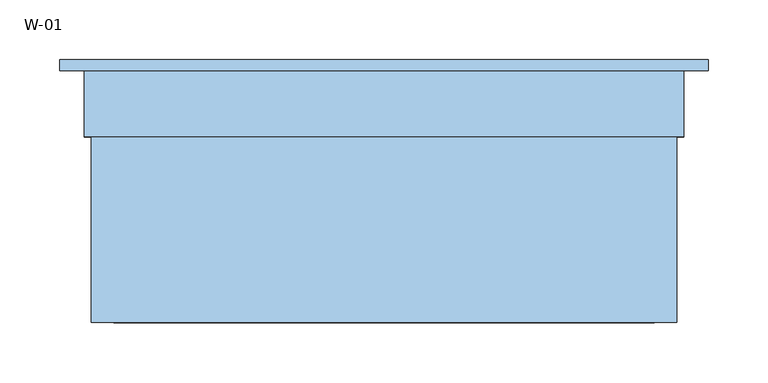
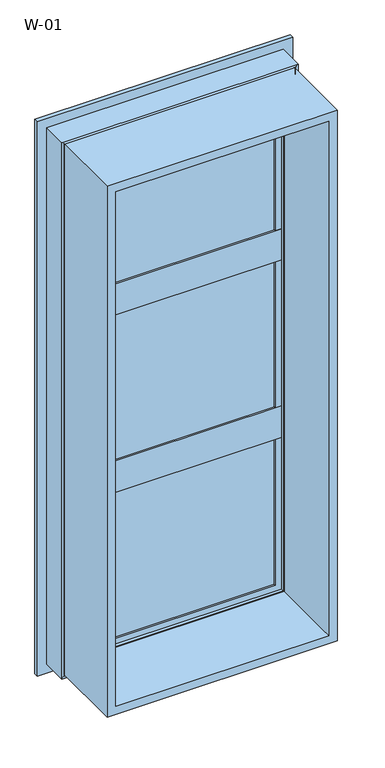
"""IFC4 building model written with IfcOpenShell, lengths in millimetres: window geometry, W-01."""

import ifcopenshell
import ifcopenshell.guid

model = None  # the IFC model being written
_history = None  # IfcOwnerHistory: only IFC2X3 demands one
_inside = {}  # id of a spatial element -> (the spatial element, [elements in it])
_under = {}  # id of a project, library or spatial element -> (it, [spatial elements below it])
_declared = {}  # id of a project -> (the project, [libraries it declares])
_typed = {}  # id of a type object -> (the type object, [elements of that type])
_made_of = {}  # id of a material, layer set ... -> (it, [elements and type objects made of it])


def new_model(schema):
    """Start an empty IFC model of exactly this schema.

    Asked for "IFC4X3", IfcOpenShell would pick the latest addendum, in which some entities
    have other attributes; the version numbers below select the first issue.
    IFC2X3 requires an IfcOwnerHistory on every rooted entity: one is made here for all.
    """
    global model, _history
    if schema == "IFC4X3":
        model = ifcopenshell.file(schema_version=(4, 3, 0, 0))
    else:
        model = ifcopenshell.file(schema=schema)
    _inside.clear()
    _under.clear()
    _declared.clear()
    _typed.clear()
    _made_of.clear()
    _history = None
    if model.schema == "IFC2X3":
        org = make("IfcOrganization", Name="unknown")
        user = make(
            "IfcPersonAndOrganization",
            ThePerson=make("IfcPerson", FamilyName="unknown"),
            TheOrganization=org,
        )
        app = make(
            "IfcApplication",
            ApplicationDeveloper=org,
            Version="unknown",
            ApplicationFullName="unknown",
            ApplicationIdentifier="unknown",
        )
        _history = make(
            "IfcOwnerHistory",
            OwningUser=user,
            OwningApplication=app,
            ChangeAction="ADDED",
            CreationDate=0,
        )
    return model


def make(cls, **values):
    """One entity of the class cls with the attributes given. An attribute that is None is left unset."""
    return model.create_entity(
        cls, **{name: value for name, value in values.items() if value is not None}
    )


def rooted(cls, **values):
    """An entity with a GlobalId (a new one), such as an element, a storey or a relation."""
    return make(cls, GlobalId=ifcopenshell.guid.new(), OwnerHistory=_history, **values)


def si_unit(unit_type, name, prefix=None):
    """IfcSIUnit, for example si_unit("LENGTHUNIT", "METRE", prefix="MILLI")."""
    return make("IfcSIUnit", UnitType=unit_type, Prefix=prefix, Name=name)


def assignment(units):
    """IfcUnitAssignment: the units of a project."""
    return None if units is None else make("IfcUnitAssignment", Units=units)


def point(xyz):
    """IfcCartesianPoint."""
    return None if xyz is None else make("IfcCartesianPoint", Coordinates=xyz)


def direction(xyz):
    """IfcDirection."""
    return None if xyz is None else make("IfcDirection", DirectionRatios=xyz)


def frame(location, z_axis=None, x_axis=None):
    """IfcAxis2Placement3D, a coordinate frame: its origin and axes. An axis left out is left unset."""
    return make(
        "IfcAxis2Placement3D",
        Location=point(location),
        Axis=direction(z_axis),
        RefDirection=direction(x_axis),
    )


def origin():
    """The frame at (0, 0, 0) with its axes left unset."""
    return frame((0.0, 0.0, 0.0))


def place(relative_to, where):
    """IfcLocalPlacement: puts the frame where relative to a parent placement (None: the world)."""
    return make(
        "IfcLocalPlacement", PlacementRelTo=relative_to, RelativePlacement=where
    )


def context(
    kind, dimensions, precision=None, world=None, true_north=None, identifier=None
):
    """IfcGeometricRepresentationContext, for example the 3D "Model" context."""
    return make(
        "IfcGeometricRepresentationContext",
        ContextIdentifier=identifier,
        ContextType=kind,
        CoordinateSpaceDimension=dimensions,
        Precision=precision,
        WorldCoordinateSystem=world,
        TrueNorth=true_north,
    )


def project(units=None, contexts=None):
    """IfcProject with its units and contexts."""
    return rooted(
        "IfcProject",
        Name="project",
        RepresentationContexts=contexts,
        UnitsInContext=assignment(units),
    )


def spatial(cls, under=None, at=None, **own):
    """A site, building, storey or space (cls), placed at a placement, below another one or the project."""
    s = rooted(cls, ObjectPlacement=at, **own)
    if under is not None:
        _under.setdefault(under.id(), (under, []))[1].append(s)
    return s


def polyline(points):
    """IfcPolyline through the points."""
    return make("IfcPolyline", Points=[point(p) for p in points])


def ellipse_curve(where, semi_axis1, semi_axis2):
    """IfcEllipse in the frame where."""
    return make(
        "IfcEllipse", Position=where, SemiAxis1=semi_axis1, SemiAxis2=semi_axis2
    )


def outline(outer, holes=None, kind="AREA"):
    """IfcArbitraryClosedProfileDef: a profile drawn as a closed curve; with holes, ...WithVoids."""
    if holes is None:
        return make("IfcArbitraryClosedProfileDef", ProfileType=kind, OuterCurve=outer)
    return make(
        "IfcArbitraryProfileDefWithVoids",
        ProfileType=kind,
        OuterCurve=outer,
        InnerCurves=holes,
    )


def extrude(swept, where, along, depth):
    """IfcExtrudedAreaSolid: the profile swept, set in the frame where, extruded along a direction by depth."""
    return make(
        "IfcExtrudedAreaSolid",
        SweptArea=swept,
        Position=where,
        ExtrudedDirection=direction(along),
        Depth=depth,
    )


def shape(context_of_items, identifier, shape_type, items):
    """IfcShapeRepresentation: the items that make up one representation, for example the "Body"."""
    return make(
        "IfcShapeRepresentation",
        ContextOfItems=context_of_items,
        RepresentationIdentifier=identifier,
        RepresentationType=shape_type,
        Items=items,
    )


def source(mapping_origin, context_of_items, identifier, shape_type, items):
    """IfcRepresentationMap: a shape defined once, which mapped items show again and again."""
    return make(
        "IfcRepresentationMap",
        MappingOrigin=mapping_origin,
        MappedRepresentation=shape(context_of_items, identifier, shape_type, items),
    )


def transform(
    local_origin,
    x_axis=None,
    y_axis=None,
    z_axis=None,
    scale=None,
    scale2=None,
    scale3=None,
    uniform=True,
):
    """IfcCartesianTransformationOperator3D, or its non-uniform kind. x_axis, y_axis, z_axis: its Axis1, 2, 3."""
    if uniform:
        return make(
            "IfcCartesianTransformationOperator3D",
            Axis1=direction(x_axis),
            Axis2=direction(y_axis),
            LocalOrigin=point(local_origin),
            Scale=scale,
            Axis3=direction(z_axis),
        )
    return make(
        "IfcCartesianTransformationOperator3DnonUniform",
        Axis1=direction(x_axis),
        Axis2=direction(y_axis),
        LocalOrigin=point(local_origin),
        Scale=scale,
        Axis3=direction(z_axis),
        Scale2=scale2,
        Scale3=scale3,
    )


def mapped(mapping_source, mapping_target):
    """IfcMappedItem: shows the shape of a source again, moved by a transform."""
    return make(
        "IfcMappedItem", MappingSource=mapping_source, MappingTarget=mapping_target
    )


def made_of(thing, what):
    """Note that an element or type object is made of a material, layer set ...; save() writes the relation."""
    if what is not None:
        _made_of.setdefault(what.id(), (what, []))[1].append(thing)
    return thing


def element(
    cls,
    number,
    at=None,
    inside=None,
    cuts=None,
    type_object=None,
    material=None,
    context=None,
    identifier="Body",
    shape_type=None,
    held_by="IfcProductDefinitionShape",
    body=None,
    shapes=None,
    **own,
):
    """One element of the class cls, such as IfcWall. Its Tag is "e" and its number.

    at: its placement. inside: the storey or other place that contains it. cuts: it is an
    opening in that element (IfcRelVoidsElement). A single representation is given by context,
    identifier, shape_type and body (its items); several are given by shapes. held_by: the class
    of the entity that holds the representations. save() writes the other relations.
    """
    e = rooted(cls, Tag="e%d" % number, ObjectPlacement=at, **own)
    if body is not None:
        shapes = [shape(context, identifier, shape_type, body)]
    if shapes is not None:
        e.Representation = make(held_by, Representations=shapes)
    if inside is not None:
        _inside.setdefault(inside.id(), (inside, []))[1].append(e)
    if cuts is not None:
        rooted(
            "IfcRelVoidsElement", RelatingBuildingElement=cuts, RelatedOpeningElement=e
        )
    if type_object is not None:
        _typed.setdefault(type_object.id(), (type_object, []))[1].append(e)
    return made_of(e, material)


def aggregate(whole, parts):
    """IfcRelAggregates: a whole, such as a stair, and the parts it consists of."""
    return rooted("IfcRelAggregates", RelatingObject=whole, RelatedObjects=parts)


def save(model, path):
    """Write the relations noted so far, then the file.

    IfcRelAggregates (storeys below a building ...), IfcRelContainedInSpatialStructure (elements
    in a storey), IfcRelDefinesByType, IfcRelAssociatesMaterial and IfcRelDeclares: one each for
    every whole, place, type object, material and project.
    """
    for whole, parts in _under.values():
        aggregate(whole, parts)
    for where, things in _inside.values():
        rooted(
            "IfcRelContainedInSpatialStructure",
            RelatedElements=things,
            RelatingStructure=where,
        )
    for kind, things in _typed.values():
        rooted("IfcRelDefinesByType", RelatedObjects=things, RelatingType=kind)
    for what, things in _made_of.values():
        rooted("IfcRelAssociatesMaterial", RelatedObjects=things, RelatingMaterial=what)
    for by, libraries in _declared.values():
        rooted("IfcRelDeclares", RelatingContext=by, RelatedDefinitions=libraries)
    model.write(path)


def plane_surface(at):
    """IfcPlane: the flat surface through the origin of the frame at, square to its z axis."""
    return make("IfcPlane", Position=at)


def cylinder_surface(at, radius):
    """IfcCylindricalSurface: all points at the distance radius from the z axis of the frame at."""
    return make("IfcCylindricalSurface", Position=at, Radius=radius)


def revolved_surface(curve, axis_point, axis_direction):
    """IfcSurfaceOfRevolution: the curve turned about the line through axis_point along axis_direction."""
    return make(
        "IfcSurfaceOfRevolution",
        SweptCurve=make("IfcArbitraryOpenProfileDef", ProfileType="CURVE", Curve=curve),
        AxisPosition=make("IfcAxis1Placement", Location=point(axis_point), Axis=direction(axis_direction)),
    )


def advanced_brep(points, edges, surfaces, faces):
    """IfcAdvancedBrep: a solid bounded by faces that lie on surfaces and meet in shared edges.

    An edge is (start, end): straight between two places in points (the first is 0);
    or (start, end, curve); or (start, end, curve, False) where it runs against its curve.
    A face is (place in surfaces, loops), or (place, loops, False) where it looks against
    its surface's normal. A loop lists edges by number (the first is 1), with a minus sign
    where the edge is run from its end to its start. The first loop is the outer one.
    """
    corners = [point(p) for p in points]
    vertices = [make("IfcVertexPoint", VertexGeometry=c) for c in corners]
    made = []
    for start, end, *more in edges:
        made.append(
            make(
                "IfcEdgeCurve",
                EdgeStart=vertices[start],
                EdgeEnd=vertices[end],
                EdgeGeometry=more[0] if more else make("IfcPolyline", Points=[corners[start], corners[end]]),
                SameSense=more[1] if len(more) > 1 else True,
            )
        )
    hull = []
    for where, loops, *sense in faces:
        bounds = []
        for j, loop in enumerate(loops):
            ring = [make("IfcOrientedEdge", EdgeElement=made[abs(k) - 1], Orientation=k > 0) for k in loop]
            bounds.append(
                make(
                    "IfcFaceOuterBound" if j == 0 else "IfcFaceBound",
                    Bound=make("IfcEdgeLoop", EdgeList=ring),
                    Orientation=True,
                )
            )
        hull.append(make("IfcAdvancedFace", Bounds=bounds, FaceSurface=surfaces[where], SameSense=sense[0] if sense else True))
    return make("IfcAdvancedBrep", Outer=make("IfcClosedShell", CfsFaces=hull))


def w_01_87bad392(model_context):
    return source(origin(), model_context, "Body", "SolidModel", [
        extrude(outline(polyline([(223.0, 74.4), (-223.0, 74.4), (-223.0, 100.4), (223.0, 100.4), (223.0, 74.4)])), frame((0.0, 0.0, 1320.3333333), z_axis=(0.0, 0.0, 1.0), x_axis=(1.0, 0.0, 0.0)), (0.0, 0.0, 1.0), 352.6666667),
        extrude(outline(polyline([(223.0, 74.4), (-223.0, 74.4), (-223.0, 100.4), (223.0, 100.4), (223.0, 74.4)])), frame((0.0, 0.0, 923.6666667), z_axis=(0.0, 0.0, 1.0), x_axis=(1.0, 0.0, 0.0)), (0.0, 0.0, 1.0), 352.6666667),
        extrude(outline(polyline([(1693.8, 243.8), (1693.8, -243.8), (506.2, -243.8), (506.2, 243.8), (1693.8, 243.8)]), holes=[polyline([(524.7, 225.3), (524.7, -225.3), (1675.3, -225.3), (1675.3, 225.3), (524.7, 225.3)])]), frame((0.0, -100.0, 0.0), z_axis=(0.0, 1.0, 0.0), x_axis=(0.0, 0.0, 1.0)), (0.0, 0.0, 1.0), 165.9999813),
        extrude(outline(polyline([(223.0, 74.4), (-223.0, 74.4), (-223.0, 100.4), (223.0, 100.4), (223.0, 74.4)])), frame((0.0, 0.0, 527.0), z_axis=(0.0, 0.0, 1.0), x_axis=(1.0, 0.0, 0.0)), (0.0, 0.0, 1.0), 352.6666667),
        extrude(outline(polyline([(68.9990172, 1263.3332985), (68.9990172, 1333.333336), (72.5990172, 1333.333336), (72.5990172, 1313.333352), (118.9999375, 1313.333352), (118.9999375, 1283.3333146), (72.5990172, 1283.3333146), (72.5990172, 1263.3332985), (68.9990172, 1263.3332985)])), frame((-230.0, 0.0, 0.0), z_axis=(1.0, 0.0, 0.0), x_axis=(0.0, 1.0, 0.0)), (0.0, 0.0, 1.0), 460.0),
        advanced_brep(
        [(-210.0, 107.7228474, 1660.0), (-207.8575034, 100.3927452, 1657.8575034), (-207.8575034, 100.3927452, 1335.4758299), (-210.0, 107.7228474, 1333.3333333), (-210.0, 118.9999377, 1660.0), (-210.0, 118.9999377, 1333.3333333), (-230.0, 100.3927452, 1680.0), (-230.0, 118.9999377, 1680.0), (-230.0, 118.9999377, 1313.3333333), (-230.0, 100.3927452, 1313.3333333), (207.8575034, 100.3927452, 1335.4758299), (210.0, 107.7228474, 1333.3333333), (210.0, 118.9999377, 1333.3333333), (230.0, 118.9999377, 1313.3333333), (230.0, 100.3927452, 1313.3333333), (207.8575034, 100.3927452, 1657.8575034), (210.0, 107.7228474, 1660.0), (210.0, 118.9999377, 1660.0), (230.0, 118.9999377, 1680.0), (230.0, 100.3927452, 1680.0)],
        [
            (0, 1, ellipse_curve(frame((-190.3925883, 109.4756835, 1640.3925883), z_axis=(0.7071067811865475, 0.0, 0.7071067811865475), x_axis=(0.7071067811865474, 0.0, -0.7071067811865476)), 27.839649, 19.6856046)),
            (1, 2),
            (2, 3, ellipse_curve(frame((-190.3925883, 109.4756835, 1352.9407451), z_axis=(0.7071067811865475, 0.0, -0.7071067811865475), x_axis=(-0.7071067811865474, 0.0, -0.7071067811865476)), 27.839649, 19.6856046)),
            (3, 0),
            (4, 0),
            (3, 5),
            (5, 4),
            (6, 7),
            (7, 8),
            (8, 9),
            (9, 6),
            (2, 10),
            (10, 11, ellipse_curve(frame((190.3925883, 109.4756835, 1352.9407451), z_axis=(0.7071067811865475, 0.0, 0.7071067811865475), x_axis=(0.7071067811865476, 0.0, -0.7071067811865474)), 27.839649, 19.6856046)),
            (11, 3),
            (11, 12),
            (12, 5),
            (8, 13),
            (13, 14),
            (14, 9),
            (10, 15),
            (15, 16, ellipse_curve(frame((190.3925883, 109.4756835, 1640.3925883), z_axis=(-0.7071067811865475, 0.0, 0.7071067811865475), x_axis=(0.7071067811865474, 0.0, 0.7071067811865476)), 27.839649, 19.6856046)),
            (16, 11),
            (16, 17),
            (17, 12),
            (13, 18),
            (18, 19),
            (19, 14),
            (19, 6),
            (1, 15),
            (0, 16),
            (4, 17),
            (7, 18),
        ],
        [
            revolved_surface(polyline([(-210.0781929, 109.4756835, 1333.2551405062468), (-210.0781929, 109.4756835, 1660.0781928937533)]), (-190.3925883, 109.4756835, 1680.0), (0.0, 0.0, -1.0)),
            plane_surface(frame((-210.0, 107.7228474, 1660.0), z_axis=(1.0, 0.0, 0.0), x_axis=(0.0, 0.0, -1.0))),
            plane_surface(frame((-230.0, 118.9999377, 1680.0), z_axis=(-1.0, 0.0, 0.0), x_axis=(0.0, 0.0, -1.0))),
            revolved_surface(polyline([(210.07819289375328, 109.4756835, 1333.2551405), (-210.07819289375328, 109.4756835, 1333.2551405)]), (-230.0, 109.4756835, 1352.9407451), (1.0, 0.0, 0.0)),
            plane_surface(frame((-210.0, 107.7228474, 1333.3333333), z_axis=(0.0, 0.0, 1.0), x_axis=(1.0, 0.0, 0.0))),
            plane_surface(frame((-230.0, 118.9999377, 1313.3333333), z_axis=(0.0, 0.0, -1.0), x_axis=(1.0, 0.0, 0.0))),
            revolved_surface(polyline([(210.0781929, 109.4756835, 1660.078192893753), (210.0781929, 109.4756835, 1333.2551405062468)]), (190.3925883, 109.4756835, 1313.3333333), (0.0, 0.0, 1.0)),
            plane_surface(frame((210.0, 107.7228474, 1333.3333333), z_axis=(-1.0, 0.0, 0.0), x_axis=(0.0, 0.0, 1.0))),
            plane_surface(frame((230.0, 118.9999377, 1313.3333333), z_axis=(1.0, 0.0, 0.0), x_axis=(0.0, 0.0, 1.0))),
            plane_surface(frame((230.0, 100.3927452, 1680.0), z_axis=(0.0, -1.0, 0.0), x_axis=(-1.0, 0.0, 0.0))),
            revolved_surface(polyline([(-210.07819289375328, 109.4756835, 1660.0781929), (210.07819289375328, 109.4756835, 1660.0781929)]), (230.0, 109.4756835, 1640.3925883), (-1.0, 0.0, 0.0)),
            plane_surface(frame((210.0, 107.7228474, 1660.0), z_axis=(0.0, 0.0, -1.0), x_axis=(-1.0, 0.0, 0.0))),
            plane_surface(frame((210.0, 118.9999377, 1660.0), z_axis=(0.0, 1.0, 0.0), x_axis=(-1.0, 0.0, 0.0))),
            plane_surface(frame((230.0, 118.9999377, 1680.0), z_axis=(0.0, 0.0, 1.0), x_axis=(-1.0, 0.0, 0.0))),
        ],
        [
            (0, [[1, 2, 3, 4]]),
            (1, [[5, -4, 6, 7]]),
            (2, [[8, 9, 10, 11]]),
            (3, [[-3, 12, 13, 14]]),
            (4, [[-6, -14, 15, 16]]),
            (5, [[-10, 17, 18, 19]]),
            (6, [[-13, 20, 21, 22]]),
            (7, [[-15, -22, 23, 24]]),
            (8, [[-18, 25, 26, 27]]),
            (9, [[-19, -27, 28, -11], [29, -20, -12, -2]]),
            (10, [[-21, -29, -1, 30]]),
            (11, [[-23, -30, -5, 31]]),
            (12, [[32, -25, -17, -9], [-16, -24, -31, -7]]),
            (13, [[-26, -32, -8, -28]]),
        ],
    ),
        advanced_brep(
        [(-210.0, 107.7228474, 1263.3333333), (-207.8575034, 100.3927452, 1261.1908368), (-207.8575034, 100.3927452, 938.8091632), (-210.0, 107.7228474, 936.6666667), (-210.0, 118.9999377, 1263.3333333), (-210.0, 118.9999377, 936.6666667), (-230.0, 100.3927452, 1283.3333333), (-230.0, 118.9999377, 1283.3333333), (-230.0, 118.9999377, 916.6666667), (-230.0, 100.3927452, 916.6666667), (207.8575034, 100.3927452, 938.8091632), (210.0, 107.7228474, 936.6666667), (210.0, 118.9999377, 936.6666667), (230.0, 118.9999377, 916.6666667), (230.0, 100.3927452, 916.6666667), (207.8575034, 100.3927452, 1261.1908368), (210.0, 107.7228474, 1263.3333333), (210.0, 118.9999377, 1263.3333333), (230.0, 118.9999377, 1283.3333333), (230.0, 100.3927452, 1283.3333333)],
        [
            (0, 1, ellipse_curve(frame((-190.3925883, 109.4756835, 1243.7259216), z_axis=(0.7071067811865475, 0.0, 0.7071067811865475), x_axis=(0.7071067811865474, 0.0, -0.7071067811865476)), 27.839649, 19.6856046)),
            (1, 2),
            (2, 3, ellipse_curve(frame((-190.3925883, 109.4756835, 956.2740784), z_axis=(0.7071067811865475, 0.0, -0.7071067811865475), x_axis=(-0.7071067811865474, 0.0, -0.7071067811865476)), 27.839649, 19.6856046)),
            (3, 0),
            (4, 0),
            (3, 5),
            (5, 4),
            (6, 7),
            (7, 8),
            (8, 9),
            (9, 6),
            (2, 10),
            (10, 11, ellipse_curve(frame((190.3925883, 109.4756835, 956.2740784), z_axis=(0.7071067811865475, 0.0, 0.7071067811865475), x_axis=(0.7071067811865476, 0.0, -0.7071067811865474)), 27.839649, 19.6856046)),
            (11, 3),
            (11, 12),
            (12, 5),
            (8, 13),
            (13, 14),
            (14, 9),
            (10, 15),
            (15, 16, ellipse_curve(frame((190.3925883, 109.4756835, 1243.7259216), z_axis=(-0.7071067811865475, 0.0, 0.7071067811865475), x_axis=(0.7071067811865474, 0.0, 0.7071067811865476)), 27.839649, 19.6856046)),
            (16, 11),
            (16, 17),
            (17, 12),
            (13, 18),
            (18, 19),
            (19, 14),
            (19, 6),
            (1, 15),
            (0, 16),
            (4, 17),
            (7, 18),
        ],
        [
            revolved_surface(polyline([(-210.0781929, 109.4756835, 936.5884738062467), (-210.0781929, 109.4756835, 1263.4115261937534)]), (-190.3925883, 109.4756835, 1283.3333333), (0.0, 0.0, -1.0)),
            plane_surface(frame((-210.0, 107.7228474, 1263.3333333), z_axis=(1.0, 0.0, 0.0), x_axis=(0.0, 0.0, -1.0))),
            plane_surface(frame((-230.0, 118.9999377, 1283.3333333), z_axis=(-1.0, 0.0, 0.0), x_axis=(0.0, 0.0, -1.0))),
            revolved_surface(polyline([(210.07819289375328, 109.4756835, 936.5884738), (-210.07819289375328, 109.4756835, 936.5884738)]), (-230.0, 109.4756835, 956.2740784), (1.0, 0.0, 0.0)),
            plane_surface(frame((-210.0, 107.7228474, 936.6666667), z_axis=(0.0, 0.0, 1.0), x_axis=(1.0, 0.0, 0.0))),
            plane_surface(frame((-230.0, 118.9999377, 916.6666667), z_axis=(0.0, 0.0, -1.0), x_axis=(1.0, 0.0, 0.0))),
            revolved_surface(polyline([(210.0781929, 109.4756835, 1263.4115261937532), (210.0781929, 109.4756835, 936.5884738062467)]), (190.3925883, 109.4756835, 916.6666667), (0.0, 0.0, 1.0)),
            plane_surface(frame((210.0, 107.7228474, 936.6666667), z_axis=(-1.0, 0.0, 0.0), x_axis=(0.0, 0.0, 1.0))),
            plane_surface(frame((230.0, 118.9999377, 916.6666667), z_axis=(1.0, 0.0, 0.0), x_axis=(0.0, 0.0, 1.0))),
            plane_surface(frame((230.0, 100.3927452, 1283.3333333), z_axis=(0.0, -1.0, 0.0), x_axis=(-1.0, 0.0, 0.0))),
            revolved_surface(polyline([(-210.07819289375328, 109.4756835, 1263.4115262), (210.07819289375328, 109.4756835, 1263.4115262)]), (230.0, 109.4756835, 1243.7259216), (-1.0, 0.0, 0.0)),
            plane_surface(frame((210.0, 107.7228474, 1263.3333333), z_axis=(0.0, 0.0, -1.0), x_axis=(-1.0, 0.0, 0.0))),
            plane_surface(frame((210.0, 118.9999377, 1263.3333333), z_axis=(0.0, 1.0, 0.0), x_axis=(-1.0, 0.0, 0.0))),
            plane_surface(frame((230.0, 118.9999377, 1283.3333333), z_axis=(0.0, 0.0, 1.0), x_axis=(-1.0, 0.0, 0.0))),
        ],
        [
            (0, [[1, 2, 3, 4]]),
            (1, [[5, -4, 6, 7]]),
            (2, [[8, 9, 10, 11]]),
            (3, [[-3, 12, 13, 14]]),
            (4, [[-6, -14, 15, 16]]),
            (5, [[-10, 17, 18, 19]]),
            (6, [[-13, 20, 21, 22]]),
            (7, [[-15, -22, 23, 24]]),
            (8, [[-18, 25, 26, 27]]),
            (9, [[-19, -27, 28, -11], [29, -20, -12, -2]]),
            (10, [[-21, -29, -1, 30]]),
            (11, [[-23, -30, -5, 31]]),
            (12, [[32, -25, -17, -9], [-16, -24, -31, -7]]),
            (13, [[-26, -32, -8, -28]]),
        ],
    ),
        extrude(outline(polyline([(68.9990172, 866.6666318), (68.9990172, 936.6666693), (72.5990172, 936.6666693), (72.5990172, 916.6666854), (118.9999375, 916.6666854), (118.9999375, 886.6666479), (72.5990172, 886.6666479), (72.5990172, 866.6666318), (68.9990172, 866.6666318)])), frame((-230.0, 0.0, 0.0), z_axis=(1.0, 0.0, 0.0), x_axis=(0.0, 1.0, 0.0)), (0.0, 0.0, 1.0), 460.0),
        advanced_brep(
        [(-210.0, 107.7228474, 866.6666667), (-207.8575034, 100.3927452, 864.5241701), (-207.8575034, 100.3927452, 542.1424966), (-210.0, 107.7228474, 540.0), (-210.0, 118.9999377, 866.6666667), (-210.0, 118.9999377, 540.0), (-230.0, 100.3927452, 886.6666667), (-230.0, 118.9999377, 886.6666667), (-230.0, 118.9999377, 520.0), (-230.0, 100.3927452, 520.0), (207.8575034, 100.3927452, 542.1424966), (210.0, 107.7228474, 540.0), (210.0, 118.9999377, 540.0), (230.0, 118.9999377, 520.0), (230.0, 100.3927452, 520.0), (207.8575034, 100.3927452, 864.5241701), (210.0, 107.7228474, 866.6666667), (210.0, 118.9999377, 866.6666667), (230.0, 118.9999377, 886.6666667), (230.0, 100.3927452, 886.6666667)],
        [
            (0, 1, ellipse_curve(frame((-190.3925883, 109.4756835, 847.0592549), z_axis=(0.7071067811865475, 0.0, 0.7071067811865475), x_axis=(0.7071067811865474, 0.0, -0.7071067811865476)), 27.839649, 19.6856046)),
            (1, 2),
            (2, 3, ellipse_curve(frame((-190.3925883, 109.4756835, 559.6074117), z_axis=(0.7071067811865475, 0.0, -0.7071067811865475), x_axis=(-0.7071067811865474, 0.0, -0.7071067811865476)), 27.839649, 19.6856046)),
            (3, 0),
            (4, 0),
            (3, 5),
            (5, 4),
            (6, 7),
            (7, 8),
            (8, 9),
            (9, 6),
            (2, 10),
            (10, 11, ellipse_curve(frame((190.3925883, 109.4756835, 559.6074117), z_axis=(0.7071067811865475, 0.0, 0.7071067811865475), x_axis=(0.7071067811865476, 0.0, -0.7071067811865474)), 27.839649, 19.6856046)),
            (11, 3),
            (11, 12),
            (12, 5),
            (8, 13),
            (13, 14),
            (14, 9),
            (10, 15),
            (15, 16, ellipse_curve(frame((190.3925883, 109.4756835, 847.0592549), z_axis=(-0.7071067811865475, 0.0, 0.7071067811865475), x_axis=(0.7071067811865474, 0.0, 0.7071067811865476)), 27.839649, 19.6856046)),
            (16, 11),
            (16, 17),
            (17, 12),
            (13, 18),
            (18, 19),
            (19, 14),
            (19, 6),
            (1, 15),
            (0, 16),
            (4, 17),
            (7, 18),
        ],
        [
            revolved_surface(polyline([(-210.0781929, 109.4756835, 539.9218071062467), (-210.0781929, 109.4756835, 866.7448594937533)]), (-190.3925883, 109.4756835, 886.6666667), (0.0, 0.0, -1.0)),
            plane_surface(frame((-210.0, 107.7228474, 866.6666667), z_axis=(1.0, 0.0, 0.0), x_axis=(0.0, 0.0, -1.0))),
            plane_surface(frame((-230.0, 118.9999377, 886.6666667), z_axis=(-1.0, 0.0, 0.0), x_axis=(0.0, 0.0, -1.0))),
            revolved_surface(polyline([(210.07819289375328, 109.4756835, 539.9218070999999), (-210.07819289375328, 109.4756835, 539.9218070999999)]), (-230.0, 109.4756835, 559.6074117), (1.0, 0.0, 0.0)),
            plane_surface(frame((-210.0, 107.7228474, 540.0), z_axis=(0.0, 0.0, 1.0), x_axis=(1.0, 0.0, 0.0))),
            plane_surface(frame((-230.0, 118.9999377, 520.0), z_axis=(0.0, 0.0, -1.0), x_axis=(1.0, 0.0, 0.0))),
            revolved_surface(polyline([(210.0781929, 109.4756835, 866.7448594937533), (210.0781929, 109.4756835, 539.9218071062467)]), (190.3925883, 109.4756835, 520.0), (0.0, 0.0, 1.0)),
            plane_surface(frame((210.0, 107.7228474, 540.0), z_axis=(-1.0, 0.0, 0.0), x_axis=(0.0, 0.0, 1.0))),
            plane_surface(frame((230.0, 118.9999377, 520.0), z_axis=(1.0, 0.0, 0.0), x_axis=(0.0, 0.0, 1.0))),
            plane_surface(frame((230.0, 100.3927452, 886.6666667), z_axis=(0.0, -1.0, 0.0), x_axis=(-1.0, 0.0, 0.0))),
            revolved_surface(polyline([(-210.07819289375328, 109.4756835, 866.7448595000001), (210.07819289375328, 109.4756835, 866.7448595000001)]), (230.0, 109.4756835, 847.0592549), (-1.0, 0.0, 0.0)),
            plane_surface(frame((210.0, 107.7228474, 866.6666667), z_axis=(0.0, 0.0, -1.0), x_axis=(-1.0, 0.0, 0.0))),
            plane_surface(frame((210.0, 118.9999377, 866.6666667), z_axis=(0.0, 1.0, 0.0), x_axis=(-1.0, 0.0, 0.0))),
            plane_surface(frame((230.0, 118.9999377, 886.6666667), z_axis=(0.0, 0.0, 1.0), x_axis=(-1.0, 0.0, 0.0))),
        ],
        [
            (0, [[1, 2, 3, 4]]),
            (1, [[5, -4, 6, 7]]),
            (2, [[8, 9, 10, 11]]),
            (3, [[-3, 12, 13, 14]]),
            (4, [[-6, -14, 15, 16]]),
            (5, [[-10, 17, 18, 19]]),
            (6, [[-13, 20, 21, 22]]),
            (7, [[-15, -22, 23, 24]]),
            (8, [[-18, 25, 26, 27]]),
            (9, [[-19, -27, 28, -11], [29, -20, -12, -2]]),
            (10, [[-21, -29, -1, 30]]),
            (11, [[-23, -30, -5, 31]]),
            (12, [[32, -25, -17, -9], [-16, -24, -31, -7]]),
            (13, [[-26, -32, -8, -28]]),
        ],
    ),
        advanced_brep(
        [(270.000038, 110.0, 1720.000038), (270.000038, 110.0, 479.999962), (270.000038, 118.9999375, 479.999962), (270.000038, 118.9999375, 1720.000038), (-270.000038, 118.9999375, 1720.000038), (-270.000038, 118.9999375, 479.999962), (230.0000396, 118.9999375, 1680.0000396), (-230.0000396, 118.9999375, 1680.0000396), (-230.0000396, 118.9999375, 519.9999604), (230.0000396, 118.9999375, 519.9999604), (-270.000038, 110.0, 479.999962), (-270.000038, 110.0, 1720.000038), (-250.0, 110.0, 1700.0), (250.0, 110.0, 1700.0), (250.0, 110.0, 500.0), (-250.0, 110.0, 500.0), (250.0, 54.8507969, 1700.0), (250.0, 54.8507969, 500.0), (-250.0, 54.8507969, 500.0), (245.0001465, 54.8506112, 1695.0001465), (245.0001465, 54.8506112, 504.9998535), (-245.0001465, 54.8506112, 504.9998535), (245.0001465, 56.5920405, 1695.0001465), (245.0001465, 56.5920405, 504.9998535), (-245.0001465, 56.5920405, 504.9998535), (243.8001794, 56.5908144, 1693.8001794), (243.8001794, 56.5908144, 506.1998206), (-243.8001794, 56.5908144, 506.1998206), (243.8001794, 65.9999813, 1693.8001794), (243.8001794, 65.9999813, 506.1998206), (-243.8001794, 65.9999813, 506.1998206), (-243.8001794, 65.9999813, 1693.8001794), (-224.2001794, 65.9999813, 1674.2001794), (224.2001794, 65.9999813, 1674.2001794), (224.2001794, 65.9999813, 525.7998206), (-224.2001794, 65.9999813, 525.7998206), (224.2001794, 61.9999728, 1674.2001794), (224.2001794, 61.9999728, 525.7998206), (-224.2001794, 61.9999728, 525.7998206), (-224.2001794, 61.9999728, 1674.2001794), (-222.6156704, 61.9999728, 1672.6156704), (222.6156704, 61.9999728, 1672.6156704), (222.6156704, 61.9999728, 527.3843296), (-222.6156704, 61.9999728, 527.3843296), (222.8755675, 68.9999299, 1672.8755675), (222.8755675, 68.9999299, 527.1244325), (-222.8755675, 68.9999299, 527.1244325), (-222.8755675, 68.9999299, 1672.8755675), (-210.0002274, 68.9999299, 1660.0002274), (210.0002274, 68.9999299, 1660.0002274), (210.0002274, 68.9999299, 539.9997726), (-210.0002274, 68.9999299, 539.9997726), (210.0002274, 72.5999758, 1660.0002274), (210.0002274, 72.5999758, 539.9997726), (-210.0002274, 72.5999758, 539.9997726), (-230.0000396, 72.5999758, 1680.0000396), (230.0000396, 72.5999758, 1680.0000396), (230.0000396, 72.5999758, 519.9999604), (-230.0000396, 72.5999758, 519.9999604), (-210.0002274, 72.5999758, 1660.0002274), (-250.0, 54.8507969, 1700.0), (-245.0001465, 54.8506112, 1695.0001465), (-245.0001465, 56.5920405, 1695.0001465), (-243.8001794, 56.5908144, 1693.8001794)],
        [
            (0, 1),
            (1, 2),
            (2, 3),
            (3, 0),
            (4, 3),
            (2, 5),
            (5, 4),
            (6, 7),
            (7, 8),
            (8, 9),
            (9, 6),
            (1, 10),
            (10, 5),
            (0, 11),
            (11, 10),
            (12, 13),
            (13, 14),
            (14, 15),
            (15, 12),
            (16, 17),
            (17, 14),
            (13, 16),
            (17, 18),
            (18, 15),
            (19, 20),
            (20, 17, ellipse_curve(frame((247.5001465, 52.8785929, 502.4998535), z_axis=(-0.7071067811865475, 0.0, -0.7071067811865475), x_axis=(0.7071067811865474, 0.0, -0.7071067811865476)), 4.5030781, 3.184157)),
            (16, 19, ellipse_curve(frame((247.5001465, 52.8785929, 1697.5001465), z_axis=(-0.7071067811865475, 0.0, 0.7071067811865475), x_axis=(-0.7071067811865474, 0.0, -0.7071067811865476)), 4.5030781, 3.184157)),
            (20, 21),
            (21, 18, ellipse_curve(frame((-247.5001465, 52.8785929, 502.4998535), z_axis=(-0.7071067811865475, 0.0, 0.7071067811865475), x_axis=(-0.7071067811865476, 0.0, -0.7071067811865474)), 4.5030781, 3.184157)),
            (22, 23),
            (23, 20),
            (19, 22),
            (23, 24),
            (24, 21),
            (25, 26),
            (26, 23, ellipse_curve(frame((244.4001534, 56.6007652, 505.5998466), z_axis=(0.7071067811865475, 0.0, 0.7071067811865475), x_axis=(-0.7071067811865474, 0.0, 0.7071067811865476)), 0.8486081, 0.6000566)),
            (22, 25, ellipse_curve(frame((244.4001534, 56.6007652, 1694.4001534), z_axis=(0.7071067811865475, 0.0, -0.7071067811865475), x_axis=(0.7071067811865474, 0.0, 0.7071067811865476)), 0.8486081, 0.6000566)),
            (26, 27),
            (27, 24, ellipse_curve(frame((-244.4001534, 56.6007652, 505.5998466), z_axis=(0.7071067811865475, 0.0, -0.7071067811865475), x_axis=(0.7071067811865476, 0.0, 0.7071067811865474)), 0.8486081, 0.6000566)),
            (28, 29),
            (29, 26),
            (25, 28),
            (29, 30),
            (30, 27),
            (28, 31),
            (31, 30),
            (32, 33),
            (33, 34),
            (34, 35),
            (35, 32),
            (36, 37),
            (37, 34),
            (33, 36),
            (37, 38),
            (38, 35),
            (36, 39),
            (39, 38),
            (40, 41),
            (41, 42),
            (42, 43),
            (43, 40),
            (44, 45),
            (45, 42),
            (41, 44),
            (45, 46),
            (46, 43),
            (44, 47),
            (47, 46),
            (48, 49),
            (49, 50),
            (50, 51),
            (51, 48),
            (52, 53),
            (53, 50),
            (49, 52),
            (53, 54),
            (54, 51),
            (55, 56),
            (56, 57),
            (57, 58),
            (58, 55),
            (52, 59),
            (59, 54),
            (9, 57),
            (56, 6),
            (8, 58),
            (11, 4),
            (18, 60),
            (60, 12),
            (21, 61),
            (61, 60, ellipse_curve(frame((-247.5001465, 52.8785929, 1697.5001465), z_axis=(0.7071067811865475, 0.0, 0.7071067811865475), x_axis=(-0.7071067811865474, 0.0, 0.7071067811865476)), 4.5030781, 3.184157)),
            (24, 62),
            (62, 61),
            (27, 63),
            (63, 62, ellipse_curve(frame((-244.4001534, 56.6007652, 1694.4001534), z_axis=(-0.7071067811865475, 0.0, -0.7071067811865475), x_axis=(0.7071067811865474, 0.0, -0.7071067811865476)), 0.8486081, 0.6000566)),
            (31, 63),
            (39, 32),
            (47, 40),
            (59, 48),
            (7, 55),
            (60, 16),
            (61, 19),
            (62, 22),
            (63, 25),
        ],
        [
            plane_surface(frame((270.000038, 118.9999375, 1720.000038), z_axis=(1.0, 0.0, 0.0), x_axis=(0.0, 0.0, -1.0))),
            plane_surface(frame((-230.0000396, 118.9999375, 519.9999604), z_axis=(0.0, 1.0, 0.0), x_axis=(0.0, 0.0, 1.0))),
            plane_surface(frame((270.000038, 118.9999375, 479.999962), z_axis=(0.0, 0.0, -1.0), x_axis=(-1.0, 0.0, 0.0))),
            plane_surface(frame((-270.000038, 110.0, 479.999962), z_axis=(0.0, -1.0, 0.0), x_axis=(0.0, 0.0, 1.0))),
            plane_surface(frame((250.0, 110.0, 1700.0), z_axis=(1.0, 0.0, 0.0), x_axis=(0.0, 0.0, -1.0))),
            plane_surface(frame((250.0, 110.0, 500.0), z_axis=(0.0, 0.0, -1.0), x_axis=(-1.0, 0.0, 0.0))),
            revolved_surface(polyline([(250.6843035, 52.8785929, 499.3156964392774), (250.6843035, 52.8785929, 1700.6843035607226)]), (247.5001465, 52.8785929, 1700.0), (0.0, 0.0, -1.0)),
            revolved_surface(polyline([(-250.68430356072264, 52.8785929, 499.31569649999994), (250.68430356072264, 52.8785929, 499.31569649999994)]), (250.0, 52.8785929, 502.4998535), (-1.0, 0.0, 0.0)),
            plane_surface(frame((245.0001465, 54.8506112, 1695.0001465), z_axis=(-1.0, 0.0, 0.0), x_axis=(0.0, 0.0, -1.0))),
            plane_surface(frame((245.0001465, 54.8506112, 504.9998535), z_axis=(0.0, 0.0, 1.0), x_axis=(-1.0, 0.0, 0.0))),
            cylinder_surface(frame((244.4001534, 56.6007652, 1700.0), z_axis=(0.0, 0.0, 1.0), x_axis=(1.0, 0.0, 0.0)), 0.6000566),
            cylinder_surface(frame((250.0, 56.6007652, 505.5998466), z_axis=(1.0, 0.0, 0.0), x_axis=(0.0, 0.0, -1.0)), 0.6000566),
            plane_surface(frame((243.8001794, 56.5908144, 1693.8001794), z_axis=(-1.0, 0.0, 0.0), x_axis=(0.0, 0.0, -1.0))),
            plane_surface(frame((243.8001794, 56.5908144, 506.1998206), z_axis=(0.0, 0.0, 1.0), x_axis=(-1.0, 0.0, 0.0))),
            plane_surface(frame((-243.8001794, 65.9999813, 506.1998206), z_axis=(0.0, -1.0, 0.0), x_axis=(0.0, 0.0, 1.0))),
            plane_surface(frame((224.2001794, 65.9999813, 1674.2001794), z_axis=(1.0, 0.0, 0.0), x_axis=(0.0, 0.0, -1.0))),
            plane_surface(frame((224.2001794, 65.9999813, 525.7998206), z_axis=(0.0, 0.0, -1.0), x_axis=(-1.0, 0.0, 0.0))),
            plane_surface(frame((-224.2001794, 61.9999728, 525.7998206), z_axis=(0.0, -1.0, 0.0), x_axis=(0.0, 0.0, 1.0))),
            plane_surface(frame((222.6156704, 61.9999728, 1672.6156704), z_axis=(-0.9993114533203381, 0.0371028201460986, 0.0), x_axis=(0.0, 0.0, -1.0))),
            plane_surface(frame((222.6156704, 61.9999728, 527.3843296), z_axis=(0.0, 0.03710282014609248, 0.9993114533203383), x_axis=(-1.0, 0.0, 0.0))),
            plane_surface(frame((-222.8755675, 68.9999299, 527.1244325), z_axis=(0.0, -1.0, 0.0), x_axis=(0.0, 0.0, 1.0))),
            plane_surface(frame((210.0002274, 68.9999299, 1660.0002274), z_axis=(-1.0, 0.0, 0.0), x_axis=(0.0, 0.0, -1.0))),
            plane_surface(frame((210.0002274, 68.9999299, 539.9997726), z_axis=(0.0, 0.0, 1.0), x_axis=(-1.0, 0.0, 0.0))),
            plane_surface(frame((-210.0002274, 72.5999758, 539.9997726), z_axis=(0.0, 1.0, 0.0), x_axis=(0.0, 0.0, 1.0))),
            plane_surface(frame((230.0000396, 72.5999758, 1680.0000396), z_axis=(-1.0, 0.0, 0.0), x_axis=(0.0, 0.0, -1.0))),
            plane_surface(frame((230.0000396, 72.5999758, 519.9999604), z_axis=(0.0, 0.0, 1.0), x_axis=(-1.0, 0.0, 0.0))),
            plane_surface(frame((-270.000038, 118.9999375, 479.999962), z_axis=(-1.0, 0.0, 0.0), x_axis=(0.0, 0.0, 1.0))),
            plane_surface(frame((-250.0, 110.0, 500.0), z_axis=(-1.0, 0.0, 0.0), x_axis=(0.0, 0.0, 1.0))),
            revolved_surface(polyline([(-250.6843035, 52.8785929, 1700.6843035607226), (-250.6843035, 52.8785929, 499.31569643927736)]), (-247.5001465, 52.8785929, 500.0), (0.0, 0.0, 1.0)),
            plane_surface(frame((-245.0001465, 54.8506112, 504.9998535), z_axis=(1.0, 0.0, 0.0), x_axis=(0.0, 0.0, 1.0))),
            cylinder_surface(frame((-244.4001534, 56.6007652, 500.0), z_axis=(0.0, 0.0, -1.0), x_axis=(-1.0, 0.0, 0.0)), 0.6000566),
            plane_surface(frame((-243.8001794, 56.5908144, 506.1998206), z_axis=(1.0, 0.0, 0.0), x_axis=(0.0, 0.0, 1.0))),
            plane_surface(frame((-224.2001794, 65.9999813, 525.7998206), z_axis=(-1.0, 0.0, 0.0), x_axis=(0.0, 0.0, 1.0))),
            plane_surface(frame((-222.6156704, 61.9999728, 527.3843296), z_axis=(0.9993114533203385, 0.03710282014608636, 0.0), x_axis=(0.0, 0.0, 1.0))),
            plane_surface(frame((-210.0002274, 68.9999299, 539.9997726), z_axis=(1.0, 0.0, 0.0), x_axis=(0.0, 0.0, 1.0))),
            plane_surface(frame((-230.0000396, 72.5999758, 519.9999604), z_axis=(1.0, 0.0, 0.0), x_axis=(0.0, 0.0, 1.0))),
            plane_surface(frame((-270.000038, 118.9999375, 1720.000038), z_axis=(0.0, 0.0, 1.0), x_axis=(1.0, 0.0, 0.0))),
            plane_surface(frame((-250.0, 110.0, 1700.0), z_axis=(0.0, 0.0, 1.0), x_axis=(1.0, 0.0, 0.0))),
            revolved_surface(polyline([(250.68430356072264, 52.8785929, 1700.6843035), (-250.68430356072264, 52.8785929, 1700.6843035)]), (-250.0, 52.8785929, 1697.5001465), (1.0, 0.0, 0.0)),
            plane_surface(frame((-245.0001465, 54.8506112, 1695.0001465), z_axis=(0.0, 0.0, -1.0), x_axis=(1.0, 0.0, 0.0))),
            cylinder_surface(frame((-250.0, 56.6007652, 1694.4001534), z_axis=(-1.0, 0.0, 0.0), x_axis=(0.0, 0.0, 1.0)), 0.6000566),
            plane_surface(frame((-243.8001794, 56.5908144, 1693.8001794), z_axis=(0.0, 0.0, -1.0), x_axis=(1.0, 0.0, 0.0))),
            plane_surface(frame((-224.2001794, 65.9999813, 1674.2001794), z_axis=(0.0, 0.0, 1.0), x_axis=(1.0, 0.0, 0.0))),
            plane_surface(frame((-222.6156704, 61.9999728, 1672.6156704), z_axis=(0.0, 0.03710282014609248, -0.9993114533203383), x_axis=(1.0, 0.0, 0.0))),
            plane_surface(frame((-210.0002274, 68.9999299, 1660.0002274), z_axis=(0.0, 0.0, -1.0), x_axis=(1.0, 0.0, 0.0))),
            plane_surface(frame((-230.0000396, 72.5999758, 1680.0000396), z_axis=(0.0, 0.0, -1.0), x_axis=(1.0, 0.0, 0.0))),
        ],
        [
            (0, [[1, 2, 3, 4]]),
            (1, [[5, -3, 6, 7], [8, 9, 10, 11]]),
            (2, [[12, 13, -6, -2]]),
            (3, [[14, 15, -12, -1], [16, 17, 18, 19]]),
            (4, [[20, 21, -17, 22]]),
            (5, [[23, 24, -18, -21]]),
            (6, [[25, 26, -20, 27]]),
            (7, [[28, 29, -23, -26]]),
            (8, [[30, 31, -25, 32]]),
            (9, [[33, 34, -28, -31]]),
            (10, [[35, 36, -30, 37]]),
            (11, [[38, 39, -33, -36]]),
            (12, [[40, 41, -35, 42]]),
            (13, [[43, 44, -38, -41]]),
            (14, [[45, 46, -43, -40], [47, 48, 49, 50]]),
            (15, [[51, 52, -48, 53]]),
            (16, [[54, 55, -49, -52]]),
            (17, [[56, 57, -54, -51], [58, 59, 60, 61]]),
            (18, [[62, 63, -59, 64]]),
            (19, [[65, 66, -60, -63]]),
            (20, [[67, 68, -65, -62], [69, 70, 71, 72]]),
            (21, [[73, 74, -70, 75]]),
            (22, [[76, 77, -71, -74]]),
            (23, [[78, 79, 80, 81], [82, 83, -76, -73]]),
            (24, [[-11, 84, -79, 85]]),
            (25, [[-10, 86, -80, -84]]),
            (26, [[-15, 87, -7, -13]]),
            (27, [[88, 89, -19, -24]]),
            (28, [[90, 91, -88, -29]]),
            (29, [[92, 93, -90, -34]]),
            (30, [[94, 95, -92, -39]]),
            (31, [[-46, 96, -94, -44]]),
            (32, [[-57, 97, -50, -55]]),
            (33, [[-68, 98, -61, -66]]),
            (34, [[-83, 99, -72, -77]]),
            (35, [[-9, 100, -81, -86]]),
            (36, [[-14, -4, -5, -87]]),
            (37, [[101, -22, -16, -89]]),
            (38, [[102, -27, -101, -91]]),
            (39, [[103, -32, -102, -93]]),
            (40, [[104, -37, -103, -95]]),
            (41, [[-45, -42, -104, -96]]),
            (42, [[-56, -53, -47, -97]]),
            (43, [[-67, -64, -58, -98]]),
            (44, [[-82, -75, -69, -99]]),
            (45, [[-8, -85, -78, -100]]),
        ],
    ),
    ])


if __name__ == "__main__":
    model = new_model("IFC4")
    model_context = context("Model", 3, world=origin())
    ifc_project = project(units=[si_unit("LENGTHUNIT", "METRE", prefix="MILLI")], contexts=[model_context])
    site = spatial("IfcSite", under=ifc_project)
    building = spatial("IfcBuilding", under=site)
    placement = place(None, origin())
    w_01_shape = w_01_87bad392(model_context)
    element("IfcWindow", 1, ObjectType="W-01", at=placement, inside=building, context=model_context, shape_type="MappedRepresentation", body=[
        mapped(w_01_shape, transform((0.0, 0.0, 0.0), x_axis=(1.0, 0.0, 0.0), y_axis=(0.0, 1.0, 0.0), z_axis=(0.0, 0.0, 1.0))),
    ])
    save(model, "model.ifc")
